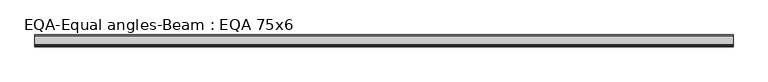
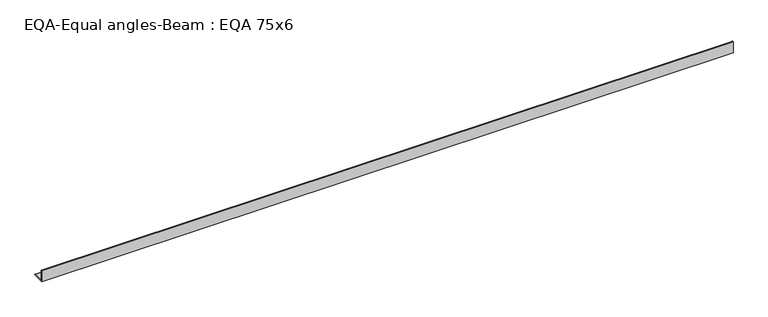
"""IFC4 building model written with IfcOpenShell, lengths in millimetres: beam geometry, EQA-Equal angles-Beam : EQA 75x6."""

from ifc_helpers import new_model, si_unit, point, frame, frame_2d, origin, place, context, project, spatial, polyline, circle_curve, trimmed, segment, composite_curve, outline, extrude, source, transform, mapped, element, save


def eqa_equal_angles_beam_eqa_75x6_876e0fb3(model_context):
    return source(origin(), model_context, "Body", "SweptSolid", [
        extrude(outline(composite_curve([segment(polyline([(-20.5, -20.5), (-20.5, 54.5), (-19.0, 54.5)]), True, "CONTINUOUS"), segment(trimmed(circle_curve(frame_2d((-19.0, 50.0)), 4.5), [point((-19.0, 54.5))], [point((-14.5, 50.0))], False, "CARTESIAN"), True, "CONTINUOUS"), segment(polyline([(-14.5, 50.0), (-14.5, -5.5)]), True, "CONTINUOUS"), segment(trimmed(circle_curve(frame_2d((-5.5, -5.5)), 9.0), [point((-14.5, -5.5))], [point((-5.5, -14.5))], True, "CARTESIAN"), True, "CONTINUOUS"), segment(polyline([(-5.5, -14.5), (50.0, -14.5)]), True, "CONTINUOUS"), segment(trimmed(circle_curve(frame_2d((50.0, -19.0)), 4.5), [point((50.0, -14.5))], [point((54.5, -19.0))], False, "CARTESIAN"), True, "CONTINUOUS"), segment(polyline([(54.5, -19.0), (54.5, -20.5), (-20.5, -20.5)]), True, "CONTINUOUS")], self_intersect=False)), frame((-2273.6564804, 0.0, 0.0), z_axis=(1.0, 0.0, 0.0), x_axis=(0.0, 1.0, 0.0)), (0.0, 0.0, 1.0), 4447.2620087),
    ])


if __name__ == "__main__":
    model = new_model("IFC4")
    model_context = context("Model", 3, world=origin())
    ifc_project = project(units=[si_unit("LENGTHUNIT", "METRE", prefix="MILLI")], contexts=[model_context])
    site = spatial("IfcSite", under=ifc_project)
    building = spatial("IfcBuilding", under=site)
    placement = place(None, origin())
    eqa_equal_angles_beam_eqa_75x6_shape = eqa_equal_angles_beam_eqa_75x6_876e0fb3(model_context)
    element("IfcBeam", 1, ObjectType="EQA-Equal angles-Beam : EQA 75x6", at=placement, inside=building, context=model_context, shape_type="MappedRepresentation", body=[
        mapped(eqa_equal_angles_beam_eqa_75x6_shape, transform((0.0, 0.0, 0.0), x_axis=(1.0, 0.0, 0.0), y_axis=(0.0, 1.0, 0.0), z_axis=(0.0, 0.0, 1.0))),
    ])
    save(model, "model.ifc")
